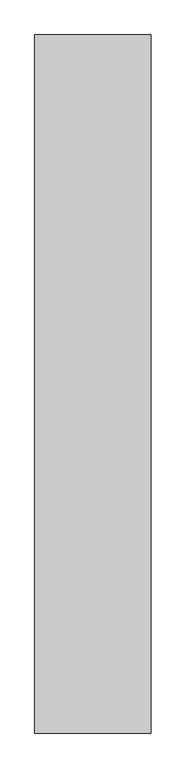
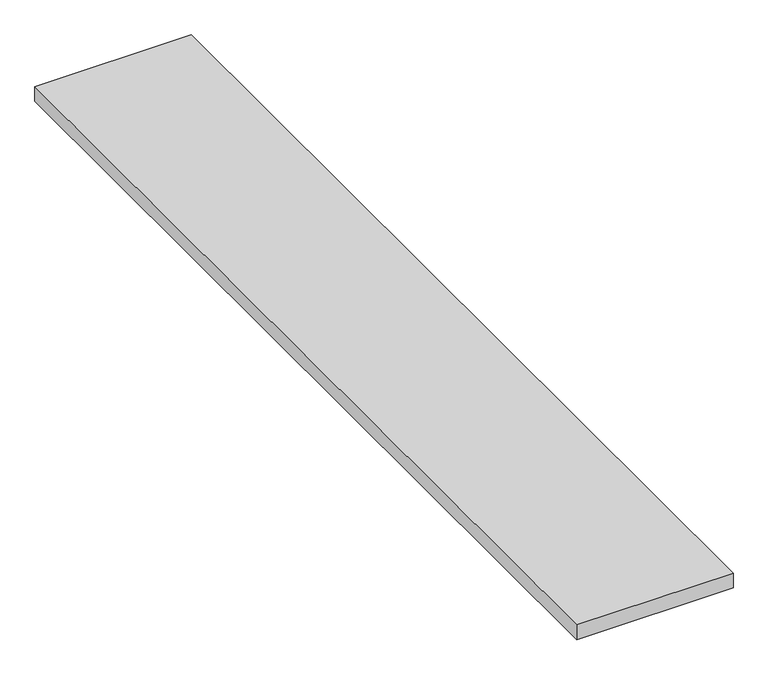
"""IFC4 building model written with IfcOpenShell, lengths in millimetres: proxy geometry."""

from ifc_helpers import new_model, si_unit, origin, origin_with_axes, place, context, project, spatial, polyline, outline, extrude, source, transform, mapped, element, save


def generic_models_f76913ee(model_context):
    return source(origin(), model_context, "Body", "SweptSolid", [
        extrude(outline(polyline([(1500.0, -9000.0), (0.0, -9000.0), (0.0, 0.0), (1500.0, 0.0), (1500.0, -9000.0)])), origin_with_axes(), (0.0, 0.0, 1.0), 150.0),
    ])


if __name__ == "__main__":
    model = new_model("IFC4")
    model_context = context("Model", 3, world=origin())
    ifc_project = project(units=[si_unit("LENGTHUNIT", "METRE", prefix="MILLI")], contexts=[model_context])
    site = spatial("IfcSite", under=ifc_project)
    building = spatial("IfcBuilding", under=site)
    placement = place(None, origin())
    generic_models_shape = generic_models_f76913ee(model_context)
    element("IfcBuildingElementProxy", 1, Name="Generic Models", at=placement, inside=building, context=model_context, shape_type="MappedRepresentation", body=[
        mapped(generic_models_shape, transform((0.0, 0.0, 0.0), x_axis=(1.0, 0.0, 0.0), y_axis=(0.0, 1.0, 0.0), z_axis=(0.0, 0.0, 1.0))),
    ])
    save(model, "model.ifc")
